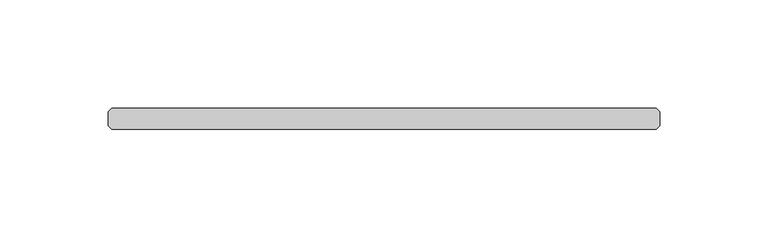
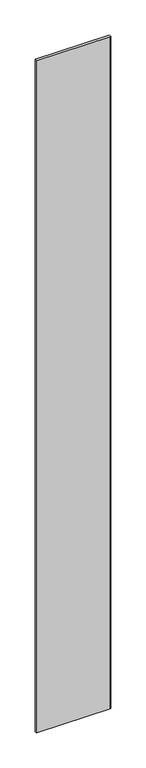
"""IFC4 building model written with IfcOpenShell, lengths in millimetres: plate geometry."""

from ifc_helpers import new_model, si_unit, origin, origin_with_axes, place, context, project, spatial, polyline, outline, extrude, source, transform, mapped, element, save


def plate_269467d2(model_context):
    return source(origin(), model_context, "Body", "SweptSolid", [
        extrude(outline(polyline([(125.4125, 34.925), (127.0, 33.3375), (127.0, 26.9875), (125.4125, 25.4), (-125.4125, 25.4), (-127.0, 26.9875), (-127.0, 33.3375), (-125.4125, 34.925), (125.4125, 34.925)])), origin_with_axes(), (0.0, 0.0, 1.0), 2428.7789267),
    ])


if __name__ == "__main__":
    model = new_model("IFC4")
    model_context = context("Model", 3, world=origin())
    ifc_project = project(units=[si_unit("LENGTHUNIT", "METRE", prefix="MILLI")], contexts=[model_context])
    site = spatial("IfcSite", under=ifc_project)
    building = spatial("IfcBuilding", under=site)
    placement = place(None, origin())
    plate_shape = plate_269467d2(model_context)
    element("IfcPlate", 1, at=placement, inside=building, context=model_context, shape_type="MappedRepresentation", body=[
        mapped(plate_shape, transform((0.0, 0.0, 0.0), x_axis=(1.0, 0.0, 0.0), y_axis=(0.0, 1.0, 0.0), z_axis=(0.0, 0.0, 1.0))),
    ])
    save(model, "model.ifc")
